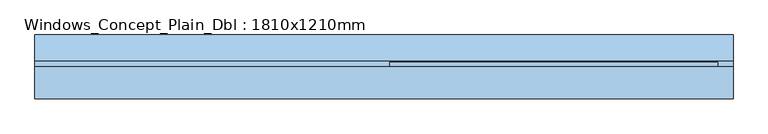
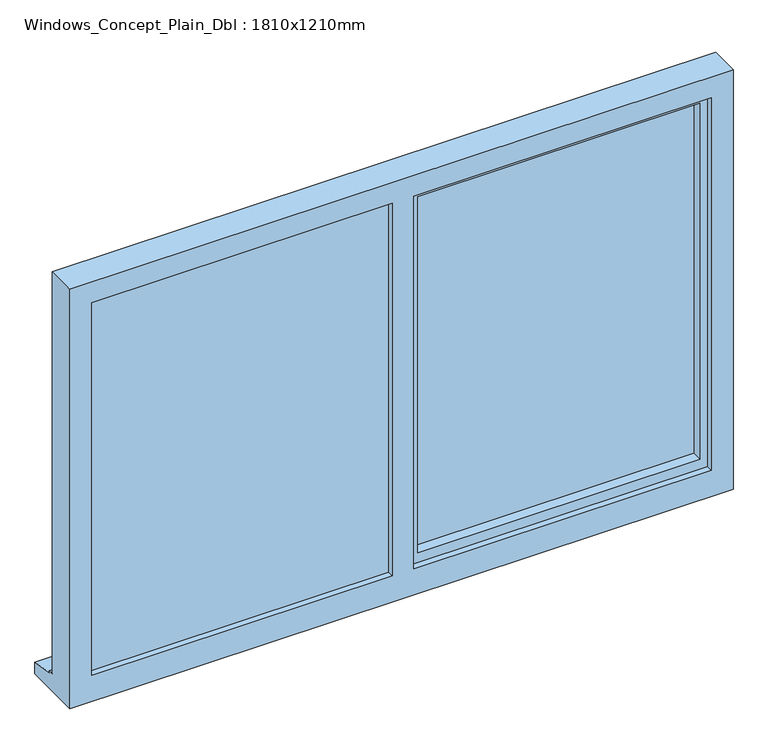
"""IFC4 building model written with IfcOpenShell, lengths in millimetres: window geometry, Windows_Concept_Plain_Dbl : 1810x1210mm."""

from ifc_helpers import new_model, si_unit, frame, origin, place, context, project, spatial, polyline, outline, extrude, faceted_brep, source, transform, mapped, element, save


def windows_concept_plain_dbl_1810x1210mm_fe121242(model_context):
    return source(origin(), model_context, "Body", "SolidModel", [
        faceted_brep([(-270.0, 48.5065678, 2070.0), (-270.0, 125.0535732, 2070.0), (-270.0, 125.0535732, 963.0), (-270.0, 48.5065678, 963.0), (-230.0, 77.5065678, 2030.0), (-230.0, 48.5065678, 2030.0), (-230.0, 48.5065678, 1003.0), (-230.0, 77.5065678, 1003.0), (-240.0, 101.5065678, 2040.0), (-240.0, 77.5065678, 2040.0), (-240.0, 77.5065678, 993.0), (-240.0, 101.5065678, 993.0), (-230.0, 125.0535732, 2030.0), (-230.0, 101.5065678, 2030.0), (-230.0, 101.5065678, 1003.0), (-230.0, 125.0535732, 1003.0), (580.0, 125.0535732, 963.0), (580.0, 48.5065678, 963.0), (540.0, 48.5065678, 1003.0), (540.0, 77.5065678, 1003.0), (550.0, 77.5065678, 993.0), (550.0, 101.5065678, 993.0), (540.0, 101.5065678, 1003.0), (540.0, 125.0535732, 1003.0), (580.0, 125.0535732, 2070.0), (580.0, 48.5065678, 2070.0), (540.0, 48.5065678, 2030.0), (540.0, 77.5065678, 2030.0), (550.0, 77.5065678, 2040.0), (550.0, 101.5065678, 2040.0), (540.0, 101.5065678, 2030.0), (540.0, 125.0535732, 2030.0)], [[[0, 1, 2, 3]], [[4, 5, 6, 7]], [[8, 9, 10, 11]], [[12, 13, 14, 15]], [[3, 2, 16, 17]], [[7, 6, 18, 19]], [[11, 10, 20, 21]], [[15, 14, 22, 23]], [[17, 16, 24, 25]], [[19, 18, 26, 27]], [[21, 20, 28, 29]], [[23, 22, 30, 31]], [[1, 24, 16, 2], [15, 23, 31, 12]], [[25, 24, 1, 0]], [[3, 17, 25, 0], [5, 26, 18, 6]], [[27, 26, 5, 4]], [[9, 28, 20, 10], [7, 19, 27, 4]], [[29, 28, 9, 8]], [[11, 21, 29, 8], [13, 30, 22, 14]], [[31, 30, 13, 12]]]),
        extrude(outline(polyline([(2050.0, -310.0), (2070.0, -310.0), (2070.0, -1150.0), (963.0, -1150.0), (963.0, -310.0), (983.0, -310.0), (983.0, -1130.0), (2050.0, -1130.0), (2050.0, -310.0)])), frame((0.0, 72.5065678, 0.0), z_axis=(0.0, 1.0, 0.0), x_axis=(0.0, 0.0, 1.0)), (0.0, 0.0, 1.0), 41.0),
        faceted_brep([(620.0, 30.5065678, 2110.0), (-1190.0, 30.5065678, 2110.0), (-1190.0, 30.5065678, 900.0), (620.0, 30.5065678, 900.0), (560.0, 30.5065678, 2050.0), (560.0, 30.5065678, 975.0), (-252.0, 30.5065678, 975.0), (-252.0, 30.5065678, 2050.0), (-310.0, 30.5065678, 2050.0), (-310.0, 30.5065678, 975.0), (-1130.0, 30.5065678, 975.0), (-1130.0, 30.5065678, 2050.0), (-1190.0, 113.5065678, 2110.0), (-1190.0, 113.5065678, 951.0), (-1190.0, 128.5065678, 949.68767), (-1190.0, 128.5065678, 944.7449676), (-1190.0, 195.9565678, 933.8088847), (-1190.0, 195.9565678, 900.0), (620.0, 113.5065678, 2110.0), (620.0, 113.5065678, 951.0), (-1150.0, 113.5065678, 2070.0), (-1150.0, 113.5065678, 963.0), (-310.0, 113.5065678, 963.0), (-310.0, 113.5065678, 2070.0), (-270.0, 113.5065678, 2070.0), (-270.0, 113.5065678, 963.0), (580.0, 113.5065678, 963.0), (580.0, 113.5065678, 2070.0), (-1150.0, 48.5065678, 2070.0), (-1150.0, 48.5065678, 963.0), (-300.0, 48.5065678, 2070.0), (-300.0, 48.5065678, 963.0), (-310.0, 48.5065678, 2050.0), (-1130.0, 48.5065678, 2050.0), (-1130.0, 48.5065678, 975.0), (-310.0, 48.5065678, 975.0), (-270.0, 48.5065678, 2070.0), (580.0, 48.5065678, 2070.0), (580.0, 48.5065678, 963.0), (-270.0, 48.5065678, 963.0), (560.0, 48.5065678, 2050.0), (-252.0, 48.5065678, 2050.0), (-252.0, 48.5065678, 975.0), (560.0, 48.5065678, 975.0), (-310.0, 72.5065678, 2070.0), (-300.0, 72.5065678, 2070.0), (620.0, 195.9565678, 900.0), (620.0, 195.9565678, 933.8088847), (620.0, 128.5065678, 944.7449676), (620.0, 128.5065678, 949.68767), (-300.0, 72.5065678, 963.0), (-310.0, 72.5065678, 963.0)], [[[0, 1, 2, 3], [4, 5, 6, 7], [8, 9, 10, 11]], [[2, 1, 12, 13, 14, 15, 16, 17]], [[13, 12, 18, 19], [20, 21, 22, 23], [24, 25, 26, 27]], [[21, 20, 28, 29]], [[28, 30, 31, 29], [32, 33, 34, 35]], [[36, 37, 38, 39], [40, 41, 42, 43]], [[33, 11, 10, 34]], [[1, 0, 18, 12]], [[28, 20, 23, 44, 45, 30]], [[27, 37, 36, 24]], [[11, 33, 32, 8]], [[40, 4, 7, 41]], [[19, 18, 0, 3, 46, 47, 48, 49]], [[27, 26, 38, 37]], [[4, 40, 43, 5]], [[45, 50, 31, 30]], [[50, 45, 44, 51]], [[51, 44, 23, 22]], [[25, 24, 36, 39]], [[41, 7, 6, 42]], [[8, 32, 35, 9]], [[46, 3, 2, 17]], [[47, 46, 17, 16]], [[48, 47, 16, 15]], [[49, 48, 15, 14]], [[19, 49, 14, 13]], [[22, 21, 29, 31, 50, 51]], [[26, 25, 39, 38]], [[6, 5, 43, 42]], [[35, 34, 10, 9]]]),
        extrude(outline(polyline([(-1150.0, 72.5065678), (-300.0, 72.5065678), (-300.0, 48.5065678), (-1150.0, 48.5065678), (-1150.0, 72.5065678)])), frame((0.0, 0.0, 963.0), z_axis=(0.0, 0.0, 1.0), x_axis=(1.0, 0.0, 0.0)), (0.0, 0.0, 1.0), 1107.0),
        extrude(outline(polyline([(550.0, 77.5065678), (-240.0, 77.5065678), (-240.0, 101.5065678), (550.0, 101.5065678), (550.0, 77.5065678)])), frame((0.0, 0.0, 993.0), z_axis=(0.0, 0.0, 1.0), x_axis=(1.0, 0.0, 0.0)), (0.0, 0.0, 1.0), 1047.0),
    ])


if __name__ == "__main__":
    model = new_model("IFC4")
    model_context = context("Model", 3, world=origin())
    ifc_project = project(units=[si_unit("LENGTHUNIT", "METRE", prefix="MILLI")], contexts=[model_context])
    site = spatial("IfcSite", under=ifc_project)
    building = spatial("IfcBuilding", under=site)
    placement = place(None, origin())
    windows_concept_plain_dbl_1810x1210mm_shape = windows_concept_plain_dbl_1810x1210mm_fe121242(model_context)
    element("IfcWindow", 1, ObjectType="Windows_Concept_Plain_Dbl : 1810x1210mm", at=placement, inside=building, context=model_context, shape_type="MappedRepresentation", body=[
        mapped(windows_concept_plain_dbl_1810x1210mm_shape, transform((0.0, 0.0, 0.0), x_axis=(1.0, 0.0, 0.0), y_axis=(0.0, 1.0, 0.0), z_axis=(0.0, 0.0, 1.0))),
    ])
    save(model, "model.ifc")
